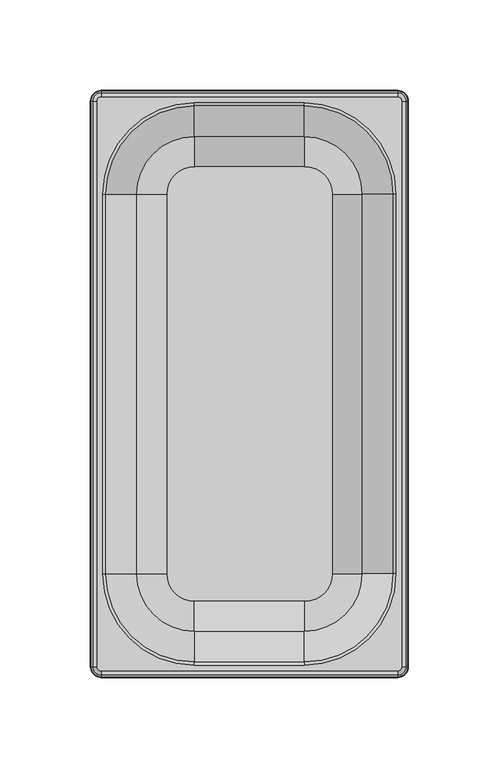
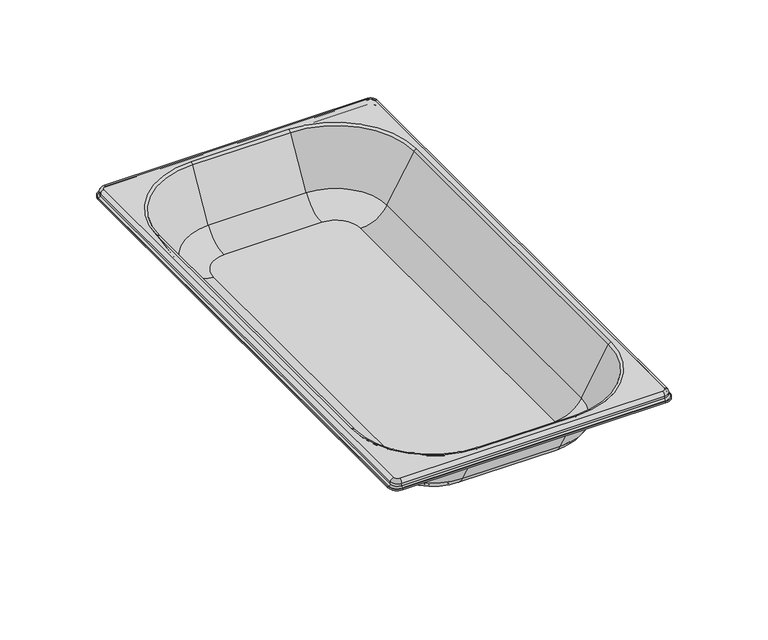
"""IFC4 building model written with IfcOpenShell, lengths in millimetres: proxy geometry."""

from ifc_helpers import new_model, si_unit, point, frame, origin, place, context, project, spatial, polyline, circle_curve, ellipse_curve, trimmed, source, transform, mapped, element, save
from ifc_brep_helpers import plane_surface, cylinder_surface, revolved_surface, advanced_brep


def generic_models_f1d3ed2c(model_context):
    return source(origin(), model_context, "Body", "AdvancedBrep", [
        advanced_brep(
        [(30.5, -136.8134665, -25.0), (30.5, -120.3589838, -34.5), (-30.5, -120.3589838, -34.5), (-30.5, -136.8134665, -25.0), (-30.5, 120.3589838, -34.5), (-30.5, 136.8134665, -25.0), (-62.3134665, 105.0, -25.0), (-45.8589838, 105.0, -34.5), (-62.3134665, -105.0, -25.0), (-45.8589838, -105.0, -34.5), (45.8589838, -105.0, -34.5), (45.8589838, 105.0, -34.5), (30.5, 120.3589838, -34.5), (30.5, 136.8134665, -25.0), (62.3134665, 105.0, -25.0), (62.3134665, -105.0, -25.0), (30.5, -153.8452995, 4.5), (79.3452995, -105.0, 4.5), (79.3452995, 105.0, 4.5), (30.5, 153.8452995, 4.5), (-30.5, 153.8452995, 4.5), (-79.3452995, 105.0, 4.5), (-79.3452995, -105.0, 4.5), (-30.5, -153.8452995, 4.5), (30.5, -155.5773503, 5.5), (-30.5, -155.5773503, 5.5), (81.0773503, -105.0, 5.5), (81.0773503, 105.0, 5.5), (30.5, 155.5773503, 5.5), (-30.5, 155.5773503, 5.5), (-81.0773503, 105.0, 5.5), (-81.0773503, -105.0, 5.5), (-81.0773503, -105.0, 4.5), (-80.2113249, -105.0, 4.0), (-30.5, -154.7113249, 4.0), (-30.5, -155.5773503, 4.5), (-81.0773503, 105.0, 4.5), (-80.2113249, 105.0, 4.0), (30.5, -154.7113249, 4.0), (30.5, -155.5773503, 4.5), (-30.5, 155.5773503, 4.5), (-30.5, 154.7113249, 4.0), (80.2113249, -105.0, 4.0), (81.0773503, -105.0, 4.5), (30.5, 155.5773503, 4.5), (30.5, 154.7113249, 4.0), (80.2113249, 105.0, 4.0), (81.0773503, 105.0, 4.5), (63.1794919, -105.0, -25.5), (63.1794919, 105.0, -25.5), (30.5, -137.6794919, -25.5), (-30.5, -137.6794919, -25.5), (-63.1794919, -105.0, -25.5), (-84.5, 156.5, 4.5), (-82.0, 159.0, 4.5), (82.0, 159.0, 4.5), (84.5, 156.5, 4.5), (84.5, -156.5, 4.5), (82.0, -159.0, 4.5), (-82.0, -159.0, 4.5), (-84.5, -156.5, 4.5), (-45.8589838, -105.0, -35.5), (-30.5, -120.3589838, -35.5), (-63.1794919, 105.0, -25.5), (-45.8589838, 105.0, -35.5), (30.5, -120.3589838, -35.5), (-30.5, 137.6794919, -25.5), (-30.5, 120.3589838, -35.5), (45.8589838, -105.0, -35.5), (30.5, 137.6794919, -25.5), (30.5, 120.3589838, -35.5), (45.8589838, 105.0, -35.5), (82.0, -160.0, 3.5), (85.5, -156.5, 3.5), (85.5, -156.5, 2.0), (82.0, -160.0, 2.0), (87.5, -156.5, 0.0), (82.0, -162.0, 0.0), (-82.0, -162.0, 0.0), (-82.0, -160.0, 2.0), (-87.5, -156.5, 0.0), (-85.5, -156.5, 2.0), (-85.5, -156.5, 3.5), (-82.0, -160.0, 3.5), (-85.5, 156.5, 3.5), (-85.5, 156.5, 2.0), (-82.0, 160.0, 3.5), (-82.0, 160.0, 2.0), (82.0, 160.0, 3.5), (82.0, 160.0, 2.0), (85.5, 156.5, 3.5), (85.5, 156.5, 2.0), (87.5, 156.5, 0.0), (82.0, 162.0, 0.0), (-82.0, 162.0, 0.0), (-87.5, 156.5, 0.0), (-88.0, 156.5, 0.0), (-82.0, 162.5, 0.0), (82.0, 162.5, 0.0), (88.0, 156.5, 0.0), (88.0, -156.5, 0.0), (82.0, -162.5, 0.0), (-82.0, -162.5, 0.0), (-88.0, -156.5, 0.0), (-82.0, 159.0, 5.5), (-82.0, 161.0, 3.5), (-86.5, 156.5, 3.5), (-84.5, 156.5, 5.5), (82.0, 159.0, 5.5), (82.0, 161.0, 3.5), (-86.5, -156.5, 3.5), (-84.5, -156.5, 5.5), (84.5, 156.5, 5.5), (86.5, 156.5, 3.5), (-82.0, -161.0, 3.5), (-82.0, -159.0, 5.5), (84.5, -156.5, 5.5), (86.5, -156.5, 3.5), (82.0, -161.0, 3.5), (82.0, -159.0, 5.5), (-82.0, -161.0, 2.0), (82.0, -161.0, 2.0), (-86.5, -156.5, 2.0), (-86.5, 156.5, 2.0), (-82.0, 161.0, 2.0), (-87.5, 156.5, 1.0), (-87.5, -156.5, 1.0), (-82.0, 162.0, 1.0), (-82.0, -162.0, 1.0), (82.0, 161.0, 2.0), (82.0, 162.0, 1.0), (82.0, -162.0, 1.0), (86.5, 156.5, 2.0), (87.5, 156.5, 1.0), (87.5, -156.5, 1.0), (86.5, -156.5, 2.0), (-82.0, 162.5, 1.0), (-88.0, 156.5, 1.0), (-88.0, -156.5, 1.0), (-82.0, -162.5, 1.0), (82.0, -162.5, 1.0), (88.0, -156.5, 1.0), (88.0, 156.5, 1.0), (82.0, 162.5, 1.0)],
        [
            (0, 1, circle_curve(frame((30.5, -120.3589838, -15.5), z_axis=(1.0, 0.0, 0.0), x_axis=(0.0, -0.4999999999999996, -0.8660254037844389)), 19.0)),
            (1, 2),
            (2, 3, circle_curve(frame((-30.5, -120.3589838, -15.5), z_axis=(-1.0, 0.0, 0.0), x_axis=(0.0, -0.4999999999999996, -0.8660254037844389)), 19.0)),
            (3, 0),
            (4, 5, circle_curve(frame((-30.5, 120.3589838, -15.5), z_axis=(1.0, 0.0, 0.0), x_axis=(0.0, 1.0, 0.0)), 19.0)),
            (5, 6, circle_curve(frame((-30.5, 105.0, -25.0), z_axis=(0.0, 0.0, 1.0), x_axis=(0.0, 1.0, 0.0)), 31.8134665)),
            (6, 7, circle_curve(frame((-45.8589838, 105.0, -15.5), z_axis=(0.0, -1.0, 0.0), x_axis=(-1.0, 0.0, 0.0)), 19.0)),
            (7, 4, circle_curve(frame((-30.5, 105.0, -34.5), z_axis=(0.0, 0.0, -1.0), x_axis=(0.0, 1.0, 0.0)), 15.3589838)),
            (6, 8),
            (8, 9, circle_curve(frame((-45.8589838, -105.0, -15.5), z_axis=(0.0, -1.0, 0.0), x_axis=(-0.5000000000000002, 0.0, -0.8660254037844386)), 19.0)),
            (9, 7),
            (8, 3, circle_curve(frame((-30.5, -105.0, -25.0), z_axis=(0.0, 0.0, 1.0), x_axis=(-1.0, 0.0, 0.0)), 31.8134665)),
            (2, 9, circle_curve(frame((-30.5, -105.0, -34.5), z_axis=(0.0, 0.0, -1.0), x_axis=(-1.0, 0.0, 0.0)), 15.3589838)),
            (1, 10, circle_curve(frame((30.5, -105.0, -34.5), z_axis=(0.0, 0.0, 1.0), x_axis=(0.0, -1.0, 0.0)), 15.3589838)),
            (10, 11),
            (11, 12, circle_curve(frame((30.5, 105.0, -34.5), z_axis=(0.0, 0.0, 1.0), x_axis=(1.0, 0.0, 0.0)), 15.3589838)),
            (12, 4),
            (12, 13, circle_curve(frame((30.5, 120.3589838, -15.5), z_axis=(1.0, 0.0, 0.0), x_axis=(0.0, 0.4999999999999996, -0.8660254037844389)), 19.0)),
            (13, 5),
            (11, 14, circle_curve(frame((45.8589838, 105.0, -15.5), z_axis=(0.0, -1.0, 0.0), x_axis=(1.0, 0.0, 0.0)), 19.0)),
            (14, 13, circle_curve(frame((30.5, 105.0, -25.0), z_axis=(0.0, 0.0, 1.0), x_axis=(1.0, 0.0, 0.0)), 31.8134665)),
            (10, 15, circle_curve(frame((45.8589838, -105.0, -15.5), z_axis=(0.0, -1.0, 0.0), x_axis=(0.5000000000000002, 0.0, -0.8660254037844386)), 19.0)),
            (15, 14),
            (0, 15, circle_curve(frame((30.5, -105.0, -25.0), z_axis=(0.0, 0.0, 1.0), x_axis=(0.0, -1.0, 0.0)), 31.8134665)),
            (16, 17, circle_curve(frame((30.5, -105.0, 4.5), z_axis=(0.0, 0.0, 1.0), x_axis=(1.0, 0.0, 0.0)), 48.8452995)),
            (17, 15),
            (0, 16),
            (17, 18),
            (18, 14),
            (18, 19, circle_curve(frame((30.5, 105.0, 4.5), z_axis=(0.0, 0.0, 1.0), x_axis=(0.0, 1.0, 0.0)), 48.8452995)),
            (19, 13),
            (19, 20),
            (20, 5),
            (20, 21, circle_curve(frame((-30.5, 105.0, 4.5), z_axis=(0.0, 0.0, 1.0), x_axis=(-1.0, 0.0, 0.0)), 48.8452995)),
            (21, 6),
            (21, 22),
            (22, 8),
            (22, 23, circle_curve(frame((-30.5, -105.0, 4.5), z_axis=(0.0, 0.0, 1.0), x_axis=(0.0, -1.0, 0.0)), 48.8452995)),
            (23, 3),
            (23, 16),
            (24, 16, circle_curve(frame((30.5, -155.5773503, 3.5), z_axis=(-1.0, 0.0, 0.0), x_axis=(0.0, 0.4999999999999851, 0.8660254037844473)), 2.0)),
            (23, 25, circle_curve(frame((-30.5, -155.5773503, 3.5), z_axis=(1.0, 0.0, 0.0), x_axis=(0.0, 0.4999999999999851, 0.8660254037844473)), 2.0)),
            (25, 24),
            (26, 17, circle_curve(frame((81.0773503, -105.0, 3.5), z_axis=(0.0, -1.0, 0.0), x_axis=(1.0, 0.0, 0.0)), 2.0)),
            (24, 26, circle_curve(frame((30.5, -105.0, 5.5), z_axis=(0.0, 0.0, 1.0), x_axis=(0.0, -1.0, 0.0)), 50.5773503)),
            (27, 18, circle_curve(frame((81.0773503, 105.0, 3.5), z_axis=(0.0, -1.0, 0.0), x_axis=(-0.49999999999999767, 0.0, 0.8660254037844399)), 2.0)),
            (26, 27),
            (28, 19, circle_curve(frame((30.5, 155.5773503, 3.5), z_axis=(1.0, 0.0, 0.0), x_axis=(0.0, 1.0, 0.0)), 2.0)),
            (27, 28, circle_curve(frame((30.5, 105.0, 5.5), z_axis=(0.0, 0.0, 1.0), x_axis=(1.0, 0.0, 0.0)), 50.5773503)),
            (28, 29),
            (29, 20, circle_curve(frame((-30.5, 155.5773503, 3.5), z_axis=(1.0, 0.0, 0.0), x_axis=(0.0, -0.5000000000000016, 0.8660254037844377)), 2.0)),
            (29, 30, circle_curve(frame((-30.5, 105.0, 5.5), z_axis=(0.0, 0.0, 1.0), x_axis=(0.0, 1.0, 0.0)), 50.5773503)),
            (30, 21, circle_curve(frame((-81.0773503, 105.0, 3.5), z_axis=(0.0, 1.0, 0.0), x_axis=(-1.0, 0.0, 0.0)), 2.0)),
            (30, 31),
            (31, 22, circle_curve(frame((-81.0773503, -105.0, 3.5), z_axis=(0.0, 1.0, 0.0), x_axis=(0.4999999999999979, 0.0, 0.8660254037844398)), 2.0)),
            (31, 25, circle_curve(frame((-30.5, -105.0, 5.5), z_axis=(0.0, 0.0, 1.0), x_axis=(-1.0, 0.0, 0.0)), 50.5773503)),
            (32, 33, circle_curve(frame((-81.0773503, -105.0, 3.5), z_axis=(0.0, 1.0, 0.0), x_axis=(-1.0, 0.0, 0.0)), 1.0)),
            (33, 34, circle_curve(frame((-30.5, -105.0, 4.0), z_axis=(0.0, 0.0, 1.0), x_axis=(-1.0, 0.0, 0.0)), 49.7113249)),
            (34, 35, circle_curve(frame((-30.5, -155.5773503, 3.5), z_axis=(1.0, 0.0, 0.0), x_axis=(0.0, -1.0, 0.0)), 1.0)),
            (35, 32, circle_curve(frame((-30.5, -105.0, 4.5), z_axis=(0.0, 0.0, -1.0), x_axis=(-1.0, 0.0, 0.0)), 50.5773503)),
            (36, 37, circle_curve(frame((-81.0773503, 105.0, 3.5), z_axis=(0.0, 1.0, 0.0), x_axis=(0.4999999999999979, 0.0, 0.8660254037844398)), 1.0)),
            (37, 33),
            (32, 36),
            (38, 39, circle_curve(frame((30.5, -155.5773503, 3.5), z_axis=(1.0, 0.0, 0.0), x_axis=(0.0, 0.49999999999998507, 0.8660254037844473)), 1.0)),
            (39, 35),
            (34, 38),
            (40, 41, circle_curve(frame((-30.5, 155.5773503, 3.5), z_axis=(1.0, 0.0, 0.0), x_axis=(0.0, 1.0, 0.0)), 1.0)),
            (41, 37, circle_curve(frame((-30.5, 105.0, 4.0), z_axis=(0.0, 0.0, 1.0), x_axis=(0.0, 1.0, 0.0)), 49.7113249)),
            (36, 40, circle_curve(frame((-30.5, 105.0, 4.5), z_axis=(0.0, 0.0, -1.0), x_axis=(0.0, 1.0, 0.0)), 50.5773503)),
            (42, 43, circle_curve(frame((81.0773503, -105.0, 3.5), z_axis=(0.0, 1.0, 0.0), x_axis=(1.0, 0.0, 0.0)), 1.0)),
            (43, 39, circle_curve(frame((30.5, -105.0, 4.5), z_axis=(0.0, 0.0, -1.0), x_axis=(0.0, -1.0, 0.0)), 50.5773503)),
            (38, 42, circle_curve(frame((30.5, -105.0, 4.0), z_axis=(0.0, 0.0, 1.0), x_axis=(0.0, -1.0, 0.0)), 49.7113249)),
            (44, 45, circle_curve(frame((30.5, 155.5773503, 3.5), z_axis=(1.0, 0.0, 0.0), x_axis=(0.0, -0.5000000000000016, 0.8660254037844377)), 1.0)),
            (45, 41),
            (40, 44),
            (46, 47, circle_curve(frame((81.0773503, 105.0, 3.5), z_axis=(0.0, 1.0, 0.0), x_axis=(-0.49999999999999767, 0.0, 0.8660254037844399)), 1.0)),
            (47, 43),
            (42, 46),
            (44, 47, circle_curve(frame((30.5, 105.0, 4.5), z_axis=(0.0, 0.0, -1.0), x_axis=(1.0, 0.0, 0.0)), 50.5773503)),
            (46, 45, circle_curve(frame((30.5, 105.0, 4.0), z_axis=(0.0, 0.0, 1.0), x_axis=(1.0, 0.0, 0.0)), 49.7113249)),
            (42, 48),
            (48, 49),
            (49, 46),
            (38, 50),
            (50, 48, circle_curve(frame((30.5, -105.0, -25.5), z_axis=(0.0, 0.0, 1.0), x_axis=(1.0, 0.0, 0.0)), 32.6794919)),
            (34, 51),
            (51, 50),
            (33, 52),
            (52, 51, circle_curve(frame((-30.5, -105.0, -25.5), z_axis=(0.0, 0.0, 1.0), x_axis=(0.0, -1.0, 0.0)), 32.6794919)),
            (53, 54, circle_curve(frame((-82.0, 156.5, 4.5), z_axis=(0.0, 0.0, -1.0), x_axis=(0.0, 1.0, 0.0)), 2.5)),
            (54, 55),
            (55, 56, circle_curve(frame((82.0, 156.5, 4.5), z_axis=(0.0, 0.0, -1.0), x_axis=(1.0, 0.0, 0.0)), 2.5)),
            (56, 57),
            (57, 58, circle_curve(frame((82.0, -156.5, 4.5), z_axis=(0.0, 0.0, -1.0), x_axis=(0.0, -1.0, 0.0)), 2.5)),
            (58, 59),
            (59, 60, circle_curve(frame((-82.0, -156.5, 4.5), z_axis=(0.0, 0.0, -1.0), x_axis=(-1.0, 0.0, 0.0)), 2.5)),
            (60, 53),
            (52, 61, circle_curve(frame((-45.8589838, -105.0, -15.5), z_axis=(0.0, -1.0, 0.0), x_axis=(-1.0, 0.0, 0.0)), 20.0)),
            (61, 62, circle_curve(frame((-30.5, -105.0, -35.5), z_axis=(0.0, 0.0, 1.0), x_axis=(-1.0, 0.0, 0.0)), 15.3589838)),
            (62, 51, circle_curve(frame((-30.5, -120.3589838, -15.5), z_axis=(-1.0, 0.0, 0.0), x_axis=(0.0, -1.0, 0.0)), 20.0)),
            (63, 64, circle_curve(frame((-45.8589838, 105.0, -15.5), z_axis=(0.0, -1.0, 0.0), x_axis=(-0.5000000000000002, 0.0, -0.8660254037844385)), 20.0)),
            (64, 61),
            (52, 63),
            (65, 50, circle_curve(frame((30.5, -120.3589838, -15.5), z_axis=(-1.0, 0.0, 0.0), x_axis=(0.0, -0.49999999999999956, -0.8660254037844389)), 20.0)),
            (62, 65),
            (66, 67, circle_curve(frame((-30.5, 120.3589838, -15.5), z_axis=(-1.0, 0.0, 0.0), x_axis=(0.0, 1.0, 0.0)), 20.0)),
            (67, 64, circle_curve(frame((-30.5, 105.0, -35.5), z_axis=(0.0, 0.0, 1.0), x_axis=(0.0, 1.0, 0.0)), 15.3589838)),
            (63, 66, circle_curve(frame((-30.5, 105.0, -25.5), z_axis=(0.0, 0.0, -1.0), x_axis=(0.0, 1.0, 0.0)), 32.6794919)),
            (68, 48, circle_curve(frame((45.8589838, -105.0, -15.5), z_axis=(0.0, -1.0, 0.0), x_axis=(1.0, 0.0, 0.0)), 20.0)),
            (65, 68, circle_curve(frame((30.5, -105.0, -35.5), z_axis=(0.0, 0.0, 1.0), x_axis=(0.0, -1.0, 0.0)), 15.3589838)),
            (69, 70, circle_curve(frame((30.5, 120.3589838, -15.5), z_axis=(-1.0, 0.0, 0.0), x_axis=(0.0, 0.49999999999999956, -0.8660254037844389)), 20.0)),
            (70, 67),
            (66, 69),
            (71, 49, circle_curve(frame((45.8589838, 105.0, -15.5), z_axis=(0.0, -1.0, 0.0), x_axis=(0.5000000000000002, 0.0, -0.8660254037844385)), 20.0)),
            (68, 71),
            (69, 49, circle_curve(frame((30.5, 105.0, -25.5), z_axis=(0.0, 0.0, -1.0), x_axis=(1.0, 0.0, 0.0)), 32.6794919)),
            (71, 70, circle_curve(frame((30.5, 105.0, -35.5), z_axis=(0.0, 0.0, 1.0), x_axis=(1.0, 0.0, 0.0)), 15.3589838)),
            (45, 69),
            (66, 41),
            (63, 37),
            (72, 73, circle_curve(frame((82.0, -156.5, 3.5), z_axis=(0.0, 0.0, 1.0), x_axis=(0.0, -1.0, 0.0)), 3.5)),
            (73, 74),
            (74, 75, circle_curve(frame((82.0, -156.5, 2.0), z_axis=(0.0, 0.0, -1.0), x_axis=(0.0, -1.0, 0.0)), 3.5)),
            (75, 72),
            (74, 76, circle_curve(frame((87.5, -156.5, 2.0), z_axis=(0.0, -1.0, 0.0), x_axis=(1.0, 0.0, 0.0)), 2.0)),
            (76, 77, circle_curve(frame((82.0, -156.5, 0.0), z_axis=(0.0, 0.0, -1.0), x_axis=(0.0, -1.0, 0.0)), 5.5)),
            (77, 75, circle_curve(frame((82.0, -162.0, 2.0), z_axis=(1.0, 0.0, 0.0), x_axis=(0.0, -1.0, 0.0)), 2.0)),
            (77, 78),
            (78, 79, circle_curve(frame((-82.0, -162.0, 2.0), z_axis=(1.0, 0.0, 0.0), x_axis=(0.0, 0.7071067811865525, -0.7071067811865426)), 2.0)),
            (79, 75),
            (78, 80, circle_curve(frame((-82.0, -156.5, 0.0), z_axis=(0.0, 0.0, -1.0), x_axis=(-1.0, 0.0, 0.0)), 5.5)),
            (80, 81, circle_curve(frame((-87.5, -156.5, 2.0), z_axis=(0.0, -1.0, 0.0), x_axis=(-1.0, 0.0, 0.0)), 2.0)),
            (81, 79, circle_curve(frame((-82.0, -156.5, 2.0), z_axis=(0.0, 0.0, 1.0), x_axis=(-1.0, 0.0, 0.0)), 3.5)),
            (82, 83, circle_curve(frame((-82.0, -156.5, 3.5), z_axis=(0.0, 0.0, 1.0), x_axis=(-1.0, 0.0, 0.0)), 3.5)),
            (83, 79),
            (81, 82),
            (83, 72),
            (58, 72, circle_curve(frame((82.0, -159.0, 3.5), z_axis=(1.0, 0.0, 0.0), x_axis=(0.0, -0.70710678118654, 0.707106781186555)), 1.0)),
            (83, 59, circle_curve(frame((-82.0, -159.0, 3.5), z_axis=(-1.0, 0.0, 0.0), x_axis=(0.0, -0.70710678118654, 0.707106781186555)), 1.0)),
            (82, 60, circle_curve(frame((-84.5, -156.5, 3.5), z_axis=(0.0, 1.0, 0.0), x_axis=(-1.0, 0.0, 0.0)), 1.0)),
            (82, 84),
            (84, 53, circle_curve(frame((-84.5, 156.5, 3.5), z_axis=(0.0, 1.0, 0.0), x_axis=(-0.7071067811865465, 0.0, 0.7071067811865486)), 1.0)),
            (81, 85),
            (85, 84),
            (86, 84, circle_curve(frame((-82.0, 156.5, 3.5), z_axis=(0.0, 0.0, 1.0), x_axis=(0.0, 1.0, 0.0)), 3.5)),
            (85, 87, circle_curve(frame((-82.0, 156.5, 2.0), z_axis=(0.0, 0.0, -1.0), x_axis=(0.0, 1.0, 0.0)), 3.5)),
            (87, 86),
            (88, 86),
            (87, 89),
            (89, 88),
            (90, 88, circle_curve(frame((82.0, 156.5, 3.5), z_axis=(0.0, 0.0, 1.0), x_axis=(1.0, 0.0, 0.0)), 3.5)),
            (89, 91, circle_curve(frame((82.0, 156.5, 2.0), z_axis=(0.0, 0.0, -1.0), x_axis=(1.0, 0.0, 0.0)), 3.5)),
            (91, 90),
            (90, 56, circle_curve(frame((84.5, 156.5, 3.5), z_axis=(0.0, -1.0, 0.0), x_axis=(1.0, 0.0, 0.0)), 1.0)),
            (55, 88, circle_curve(frame((82.0, 159.0, 3.5), z_axis=(-1.0, 0.0, 0.0), x_axis=(0.0, 1.0, 0.0)), 1.0)),
            (54, 86, circle_curve(frame((-82.0, 159.0, 3.5), z_axis=(-1.0, 0.0, 0.0), x_axis=(0.0, 0.7071067811865527, 0.7071067811865424)), 1.0)),
            (57, 73, circle_curve(frame((84.5, -156.5, 3.5), z_axis=(0.0, 1.0, 0.0), x_axis=(1.0, 0.0, 0.0)), 1.0)),
            (90, 73),
            (91, 74),
            (91, 92, circle_curve(frame((87.5, 156.5, 2.0), z_axis=(0.0, -1.0, 0.0), x_axis=(-0.7071067811865398, 0.0, -0.7071067811865551)), 2.0)),
            (92, 76),
            (89, 93, circle_curve(frame((82.0, 162.0, 2.0), z_axis=(1.0, 0.0, 0.0), x_axis=(0.0, 1.0, 0.0)), 2.0)),
            (93, 92, circle_curve(frame((82.0, 156.5, 0.0), z_axis=(0.0, 0.0, -1.0), x_axis=(1.0, 0.0, 0.0)), 5.5)),
            (87, 94, circle_curve(frame((-82.0, 162.0, 2.0), z_axis=(1.0, 0.0, 0.0), x_axis=(0.0, -0.7071067811865274, -0.7071067811865677)), 2.0)),
            (94, 93),
            (85, 95, circle_curve(frame((-87.5, 156.5, 2.0), z_axis=(0.0, 1.0, 0.0), x_axis=(-1.0, 0.0, 0.0)), 2.0)),
            (95, 94, circle_curve(frame((-82.0, 156.5, 0.0), z_axis=(0.0, 0.0, -1.0), x_axis=(0.0, 1.0, 0.0)), 5.5)),
            (80, 95),
            (96, 97, circle_curve(frame((-82.0, 156.5, 0.0), z_axis=(0.0, 0.0, -1.0), x_axis=(0.0, -1.0, 0.0)), 6.0)),
            (97, 98),
            (98, 99, circle_curve(frame((82.0, 156.5, 0.0), z_axis=(0.0, 0.0, -1.0), x_axis=(-1.0, 0.0, 0.0)), 6.0)),
            (99, 100),
            (100, 101, circle_curve(frame((82.0, -156.5, 0.0), z_axis=(0.0, 0.0, -1.0), x_axis=(0.0, 1.0, 0.0)), 6.0)),
            (101, 102),
            (102, 103, circle_curve(frame((-82.0, -156.5, 0.0), z_axis=(0.0, 0.0, -1.0), x_axis=(1.0, 0.0, 0.0)), 6.0)),
            (103, 96),
            (104, 105, circle_curve(frame((-82.0, 159.0, 3.5), z_axis=(-1.0, 0.0, 0.0), x_axis=(0.0, 1.0, 0.0)), 2.0)),
            (105, 106, circle_curve(frame((-82.0, 156.5, 3.5), z_axis=(0.0, 0.0, 1.0), x_axis=(0.0, 1.0, 0.0)), 4.5)),
            (106, 107, circle_curve(frame((-84.5, 156.5, 3.5), z_axis=(0.0, 1.0, 0.0), x_axis=(-1.0, 0.0, 0.0)), 2.0)),
            (107, 104, circle_curve(frame((-82.0, 156.5, 5.5), z_axis=(0.0, 0.0, -1.0), x_axis=(0.0, 1.0, 0.0)), 2.5)),
            (108, 109, circle_curve(frame((82.0, 159.0, 3.5), z_axis=(-1.0, 0.0, 0.0), x_axis=(0.0, 0.7071067811865527, 0.7071067811865424)), 2.0)),
            (109, 105),
            (104, 108),
            (110, 111, circle_curve(frame((-84.5, -156.5, 3.5), z_axis=(0.0, 1.0, 0.0), x_axis=(-0.7071067811865465, 0.0, 0.7071067811865486)), 2.0)),
            (111, 107),
            (106, 110),
            (112, 113, circle_curve(frame((84.5, 156.5, 3.5), z_axis=(0.0, 1.0, 0.0), x_axis=(1.0, 0.0, 0.0)), 2.0)),
            (113, 109, circle_curve(frame((82.0, 156.5, 3.5), z_axis=(0.0, 0.0, 1.0), x_axis=(1.0, 0.0, 0.0)), 4.5)),
            (108, 112, circle_curve(frame((82.0, 156.5, 5.5), z_axis=(0.0, 0.0, -1.0), x_axis=(1.0, 0.0, 0.0)), 2.5)),
            (114, 115, circle_curve(frame((-82.0, -159.0, 3.5), z_axis=(-1.0, 0.0, 0.0), x_axis=(0.0, -1.0, 0.0)), 2.0)),
            (115, 111, circle_curve(frame((-82.0, -156.5, 5.5), z_axis=(0.0, 0.0, -1.0), x_axis=(-1.0, 0.0, 0.0)), 2.5)),
            (110, 114, circle_curve(frame((-82.0, -156.5, 3.5), z_axis=(0.0, 0.0, 1.0), x_axis=(-1.0, 0.0, 0.0)), 4.5)),
            (116, 117, circle_curve(frame((84.5, -156.5, 3.5), z_axis=(0.0, 1.0, 0.0), x_axis=(0.7071067811865465, 0.0, 0.7071067811865486)), 2.0)),
            (117, 113),
            (112, 116),
            (118, 119, circle_curve(frame((82.0, -159.0, 3.5), z_axis=(-1.0, 0.0, 0.0), x_axis=(0.0, -0.70710678118654, 0.707106781186555)), 2.0)),
            (119, 115),
            (114, 118),
            (116, 119, circle_curve(frame((82.0, -156.5, 5.5), z_axis=(0.0, 0.0, -1.0), x_axis=(0.0, -1.0, 0.0)), 2.5)),
            (118, 117, circle_curve(frame((82.0, -156.5, 3.5), z_axis=(0.0, 0.0, 1.0), x_axis=(0.0, -1.0, 0.0)), 4.5)),
            (114, 120),
            (120, 121),
            (121, 118),
            (110, 122),
            (122, 120, circle_curve(frame((-82.0, -156.5, 2.0), z_axis=(0.0, 0.0, 1.0), x_axis=(-1.0, 0.0, 0.0)), 4.5)),
            (106, 123),
            (123, 122),
            (105, 124),
            (124, 123, circle_curve(frame((-82.0, 156.5, 2.0), z_axis=(0.0, 0.0, 1.0), x_axis=(0.0, 1.0, 0.0)), 4.5)),
            (123, 125, circle_curve(frame((-87.5, 156.5, 2.0), z_axis=(0.0, 1.0, 0.0), x_axis=(0.7071067811865525, 0.0, -0.7071067811865426)), 1.0)),
            (125, 126),
            (126, 122, circle_curve(frame((-87.5, -156.5, 2.0), z_axis=(0.0, -1.0, 0.0), x_axis=(0.7071067811865525, 0.0, -0.7071067811865426)), 1.0)),
            (124, 127, circle_curve(frame((-82.0, 162.0, 2.0), z_axis=(1.0, 0.0, 0.0), x_axis=(0.0, 1.0, 0.0)), 1.0)),
            (127, 125, circle_curve(frame((-82.0, 156.5, 1.0), z_axis=(0.0, 0.0, 1.0), x_axis=(0.0, 1.0, 0.0)), 5.5)),
            (128, 120, circle_curve(frame((-82.0, -162.0, 2.0), z_axis=(1.0, 0.0, 0.0), x_axis=(0.0, -1.0, 0.0)), 1.0)),
            (126, 128, circle_curve(frame((-82.0, -156.5, 1.0), z_axis=(0.0, 0.0, 1.0), x_axis=(-1.0, 0.0, 0.0)), 5.5)),
            (129, 130, circle_curve(frame((82.0, 162.0, 2.0), z_axis=(1.0, 0.0, 0.0), x_axis=(0.0, -0.7071067811865274, -0.7071067811865677)), 1.0)),
            (130, 127),
            (124, 129),
            (131, 121, circle_curve(frame((82.0, -162.0, 2.0), z_axis=(1.0, 0.0, 0.0), x_axis=(0.0, 0.7071067811865525, -0.7071067811865426)), 1.0)),
            (128, 131),
            (132, 133, circle_curve(frame((87.5, 156.5, 2.0), z_axis=(0.0, -1.0, 0.0), x_axis=(1.0, 0.0, 0.0)), 1.0)),
            (133, 130, circle_curve(frame((82.0, 156.5, 1.0), z_axis=(0.0, 0.0, 1.0), x_axis=(1.0, 0.0, 0.0)), 5.5)),
            (129, 132, circle_curve(frame((82.0, 156.5, 2.0), z_axis=(0.0, 0.0, -1.0), x_axis=(1.0, 0.0, 0.0)), 4.5)),
            (134, 135, circle_curve(frame((87.5, -156.5, 2.0), z_axis=(0.0, 1.0, 0.0), x_axis=(1.0, 0.0, 0.0)), 1.0)),
            (135, 121, circle_curve(frame((82.0, -156.5, 2.0), z_axis=(0.0, 0.0, -1.0), x_axis=(0.0, -1.0, 0.0)), 4.5)),
            (131, 134, circle_curve(frame((82.0, -156.5, 1.0), z_axis=(0.0, 0.0, 1.0), x_axis=(0.0, -1.0, 0.0)), 5.5)),
            (132, 135),
            (134, 133),
            (113, 132),
            (129, 109),
            (136, 137, circle_curve(frame((-82.0, 156.5, 1.0), z_axis=(0.0, 0.0, 1.0), x_axis=(0.0, -1.0, 0.0)), 6.0)),
            (137, 138),
            (138, 139, circle_curve(frame((-82.0, -156.5, 1.0), z_axis=(0.0, 0.0, 1.0), x_axis=(1.0, 0.0, 0.0)), 6.0)),
            (139, 140),
            (140, 141, circle_curve(frame((82.0, -156.5, 1.0), z_axis=(0.0, 0.0, 1.0), x_axis=(0.0, 1.0, 0.0)), 6.0)),
            (141, 142),
            (142, 143, circle_curve(frame((82.0, 156.5, 1.0), z_axis=(0.0, 0.0, 1.0), x_axis=(-1.0, 0.0, 0.0)), 6.0)),
            (143, 136),
            (135, 117),
            (138, 103),
            (102, 139),
            (137, 96),
            (136, 97),
            (143, 98),
            (142, 99),
            (141, 100),
            (140, 101),
        ],
        [
            revolved_surface(polyline([(30.5, -129.8589838, -31.95448267190434), (-30.5, -129.8589838, -31.95448267190434)]), (-15.25, -120.3589838, -15.5), (1.0, 0.0, 0.0)),
            revolved_surface(trimmed(ellipse_curve(frame((-30.5, 120.3589838, -15.5), z_axis=(-1.0, 0.0, 0.0), x_axis=(0.0, 1.0, 0.0)), 19.0, 19.0), [point((-30.5, 136.8134665, -25.0))], [point((-30.5, 120.3589838, -34.5))], True, "CARTESIAN"), (-30.5, 105.0, -15.5), (0.0, 0.0, 1.0)),
            revolved_surface(polyline([(-55.358983800000004, -105.0, -31.954482671904334), (-55.358983800000004, 105.0, -31.954482671904334)]), (-45.8589838, 52.5, -15.5), (0.0, -1.0, 0.0)),
            revolved_surface(trimmed(ellipse_curve(frame((-45.8589838, -105.0, -15.5), z_axis=(0.0, -1.0, 0.0), x_axis=(-1.0, 0.0, 0.0)), 19.0, 19.0), [point((-62.3134665, -105.0, -25.0))], [point((-45.8589838, -105.0, -34.5))], True, "CARTESIAN"), (-30.5, -105.0, -15.5), (0.0, 0.0, 1.0)),
            plane_surface(frame((0.0, 0.0, -34.5), z_axis=(0.0, 0.0, 1.0), x_axis=(1.0, 0.0, 0.0))),
            revolved_surface(polyline([(-30.5, 129.8589838, -31.95448267190434), (30.5, 129.8589838, -31.95448267190434)]), (15.25, 120.3589838, -15.5), (-1.0, 0.0, 0.0)),
            revolved_surface(trimmed(ellipse_curve(frame((45.8589838, 105.0, -15.5), z_axis=(0.0, 1.0, 0.0), x_axis=(1.0, 0.0, 0.0)), 19.0, 19.0), [point((62.3134665, 105.0, -25.0))], [point((45.8589838, 105.0, -34.5))], True, "CARTESIAN"), (30.5, 105.0, -15.5), (0.0, 0.0, 1.0)),
            revolved_surface(polyline([(55.358983800000004, 105.0, -31.954482671904334), (55.358983800000004, -105.0, -31.954482671904334)]), (45.8589838, -52.5, -15.5), (0.0, 1.0, 0.0)),
            revolved_surface(trimmed(ellipse_curve(frame((30.5, -120.3589838, -15.5), z_axis=(1.0, 0.0, 0.0), x_axis=(0.0, -1.0, 0.0)), 19.0, 19.0), [point((30.5, -136.8134665, -25.0))], [point((30.5, -120.3589838, -34.5))], True, "CARTESIAN"), (30.5, -105.0, -15.5), (0.0, 0.0, 1.0)),
            revolved_surface(polyline([(30.5, -153.8452995, 4.5), (30.5, -136.8134665498632, -25.0)]), (30.5, -105.0, -80.1025404), (0.0, 0.0, 1.0)),
            plane_surface(frame((79.6339746, -105.0, 5.0), z_axis=(-0.8660254037844387, 0.0, 0.5), x_axis=(0.0, -1.0, 0.0))),
            revolved_surface(polyline([(79.3452995, 105.0, 4.5), (62.31346654986319, 105.0, -25.0)]), (30.5, 105.0, -80.1025404), (0.0, 0.0, 1.0)),
            plane_surface(frame((30.5, 154.1339746, 5.0), z_axis=(0.0, -0.8660254037844387, 0.5), x_axis=(1.0, 0.0, 0.0))),
            revolved_surface(polyline([(-30.5, 153.8452995, 4.5), (-30.5, 136.8134665498632, -25.0)]), (-30.5, 105.0, -80.1025404), (0.0, 0.0, 1.0)),
            plane_surface(frame((-79.6339746, 105.0, 5.0), z_axis=(0.8660254037844387, 0.0, 0.5), x_axis=(0.0, 1.0, 0.0))),
            revolved_surface(polyline([(-79.3452995, -105.0, 4.5), (-62.31346654986319, -105.0, -25.0)]), (-30.5, -105.0, -80.1025404), (0.0, 0.0, 1.0)),
            plane_surface(frame((-30.5, -154.1339746, 5.0), z_axis=(0.0, 0.8660254037844387, 0.5), x_axis=(-1.0, 0.0, 0.0))),
            cylinder_surface(frame((-15.25, -155.5773503, 3.5), z_axis=(1.0, 0.0, 0.0), x_axis=(0.0, 0.4999999999999851, 0.8660254037844473)), 2.0),
            revolved_surface(trimmed(ellipse_curve(frame((30.5, -155.5773503, 3.5), z_axis=(-1.0, 0.0, 0.0), x_axis=(0.0, -1.0, 0.0)), 2.0, 2.0), [point((30.5, -155.5773503, 5.5))], [point((30.5, -153.8452995, 4.5))], True, "CARTESIAN"), (30.5, -105.0, 3.5), (0.0, 0.0, 1.0)),
            cylinder_surface(frame((81.0773503, -52.5, 3.5), z_axis=(0.0, 0.9999999999999999, 0.0), x_axis=(-0.49999999999999767, 0.0, 0.8660254037844399)), 2.0),
            revolved_surface(trimmed(ellipse_curve(frame((81.0773503, 105.0, 3.5), z_axis=(0.0, -1.0, 0.0), x_axis=(1.0, 0.0, 0.0)), 2.0, 2.0), [point((81.0773503, 105.0, 5.5))], [point((79.3452995, 105.0, 4.5))], True, "CARTESIAN"), (30.5, 105.0, 3.5), (0.0, 0.0, 1.0)),
            cylinder_surface(frame((15.25, 155.5773503, 3.5), z_axis=(-0.9999999999999999, 0.0, 0.0), x_axis=(0.0, -0.5000000000000016, 0.8660254037844377)), 2.0),
            revolved_surface(trimmed(ellipse_curve(frame((-30.5, 155.5773503, 3.5), z_axis=(1.0, 0.0, 0.0), x_axis=(0.0, 1.0, 0.0)), 2.0, 2.0), [point((-30.5, 155.5773503, 5.5))], [point((-30.5, 153.8452995, 4.5))], True, "CARTESIAN"), (-30.5, 105.0, 3.5), (0.0, 0.0, 1.0)),
            cylinder_surface(frame((-81.0773503, 52.5, 3.5), z_axis=(0.0, -0.9999999999999999, 0.0), x_axis=(0.4999999999999979, 0.0, 0.8660254037844398)), 2.0),
            revolved_surface(trimmed(ellipse_curve(frame((-81.0773503, -105.0, 3.5), z_axis=(0.0, 1.0, 0.0), x_axis=(-1.0, 0.0, 0.0)), 2.0, 2.0), [point((-81.0773503, -105.0, 5.5))], [point((-79.3452995, -105.0, 4.5))], True, "CARTESIAN"), (-30.5, -105.0, 3.5), (0.0, 0.0, 1.0)),
            revolved_surface(trimmed(ellipse_curve(frame((-81.0773503, -105.0, 3.5), z_axis=(0.0, -1.0, 0.0), x_axis=(-1.0, 0.0, 0.0)), 1.0, 1.0), [point((-80.2113249, -105.0, 4.0))], [point((-81.0773503, -105.0, 4.5))], True, "CARTESIAN"), (-30.5, -105.0, 3.5), (0.0, 0.0, 1.0)),
            revolved_surface(polyline([(-80.5773503, -104.99999999999994, 4.36602540378444), (-80.5773503, 104.99999999999999, 4.36602540378444)]), (-81.0773503, 52.5, 3.5), (0.0, -0.9999999999999999, 0.0)),
            revolved_surface(polyline([(30.5, -155.07735030000003, 4.366025403784447), (-30.5, -155.07735030000003, 4.366025403784447)]), (-15.25, -155.5773503, 3.5), (1.0, 0.0, 0.0)),
            revolved_surface(trimmed(ellipse_curve(frame((-30.5, 155.5773503, 3.5), z_axis=(-1.0, 0.0, 0.0), x_axis=(0.0, 1.0, 0.0)), 1.0, 1.0), [point((-30.5, 154.7113249, 4.0))], [point((-30.5, 155.5773503, 4.5))], True, "CARTESIAN"), (-30.5, 105.0, 3.5), (0.0, 0.0, 1.0)),
            revolved_surface(trimmed(ellipse_curve(frame((30.5, -155.5773503, 3.5), z_axis=(1.0, 0.0, 0.0), x_axis=(0.0, -1.0, 0.0)), 1.0, 1.0), [point((30.5, -154.7113249, 4.0))], [point((30.5, -155.5773503, 4.5))], True, "CARTESIAN"), (30.5, -105.0, 3.5), (0.0, 0.0, 1.0)),
            revolved_surface(polyline([(-30.499999999999986, 155.0773503, 4.3660254037844375), (30.499999999999996, 155.0773503, 4.3660254037844375)]), (15.25, 155.5773503, 3.5), (-0.9999999999999999, 0.0, 0.0)),
            revolved_surface(polyline([(80.5773503, 104.99999999999994, 4.36602540378444), (80.5773503, -104.99999999999999, 4.36602540378444)]), (81.0773503, -52.5, 3.5), (0.0, 0.9999999999999999, 0.0)),
            revolved_surface(trimmed(ellipse_curve(frame((81.0773503, 105.0, 3.5), z_axis=(0.0, 1.0, 0.0), x_axis=(1.0, 0.0, 0.0)), 1.0, 1.0), [point((80.2113249, 105.0, 4.0))], [point((81.0773503, 105.0, 4.5))], True, "CARTESIAN"), (30.5, 105.0, 3.5), (0.0, 0.0, 1.0)),
            plane_surface(frame((80.5, -105.0, 4.5), z_axis=(0.8660254037844387, 0.0, -0.5), x_axis=(0.0, -1.0, 0.0))),
            revolved_surface(polyline([(63.17949195131733, -105.0, -25.5), (80.2113249, -105.0, 4.0)]), (30.5, -105.0, -82.1025404), (0.0, 0.0, 1.0)),
            plane_surface(frame((-30.5, -155.0, 4.5), z_axis=(0.0, -0.8660254037844387, -0.5), x_axis=(-1.0, 0.0, 0.0))),
            revolved_surface(polyline([(-30.5, -137.67949195131735, -25.5), (-30.5, -154.7113249, 4.0)]), (-30.5, -105.0, -82.1025404), (0.0, 0.0, 1.0)),
            plane_surface(frame((0.0, 0.0, 4.5), z_axis=(0.0, 0.0, -1.0), x_axis=(1.0, 0.0, 0.0))),
            revolved_surface(trimmed(ellipse_curve(frame((-45.8589838, -105.0, -15.5), z_axis=(0.0, 1.0, 0.0), x_axis=(-1.0, 0.0, 0.0)), 20.0, 20.0), [point((-45.8589838, -105.0, -35.5))], [point((-63.1794919, -105.0, -25.5))], True, "CARTESIAN"), (-30.5, -105.0, -15.5), (0.0, 0.0, 1.0)),
            cylinder_surface(frame((-45.8589838, 52.5, -15.5), z_axis=(0.0, -0.9999999999999999, 0.0), x_axis=(-0.5000000000000002, 0.0, -0.8660254037844385)), 20.0),
            cylinder_surface(frame((-15.25, -120.3589838, -15.5), z_axis=(1.0, 0.0, 0.0), x_axis=(0.0, -0.49999999999999956, -0.8660254037844389)), 20.0),
            revolved_surface(trimmed(ellipse_curve(frame((-30.5, 120.3589838, -15.5), z_axis=(1.0, 0.0, 0.0), x_axis=(0.0, 1.0, 0.0)), 20.0, 20.0), [point((-30.5, 120.3589838, -35.5))], [point((-30.5, 137.6794919, -25.5))], True, "CARTESIAN"), (-30.5, 105.0, -15.5), (0.0, 0.0, 1.0)),
            revolved_surface(trimmed(ellipse_curve(frame((30.5, -120.3589838, -15.5), z_axis=(-1.0, 0.0, 0.0), x_axis=(0.0, -1.0, 0.0)), 20.0, 20.0), [point((30.5, -120.3589838, -35.5))], [point((30.5, -137.6794919, -25.5))], True, "CARTESIAN"), (30.5, -105.0, -15.5), (0.0, 0.0, 1.0)),
            cylinder_surface(frame((15.25, 120.3589838, -15.5), z_axis=(-1.0, 0.0, 0.0), x_axis=(0.0, 0.49999999999999956, -0.8660254037844389)), 20.0),
            cylinder_surface(frame((45.8589838, -52.5, -15.5), z_axis=(0.0, 0.9999999999999999, 0.0), x_axis=(0.5000000000000002, 0.0, -0.8660254037844385)), 20.0),
            revolved_surface(trimmed(ellipse_curve(frame((45.8589838, 105.0, -15.5), z_axis=(0.0, -1.0, 0.0), x_axis=(1.0, 0.0, 0.0)), 20.0, 20.0), [point((45.8589838, 105.0, -35.5))], [point((63.1794919, 105.0, -25.5))], True, "CARTESIAN"), (30.5, 105.0, -15.5), (0.0, 0.0, 1.0)),
            plane_surface(frame((30.5, 155.0, 4.5), z_axis=(0.0, 0.8660254037844387, -0.5), x_axis=(1.0, 0.0, 0.0))),
            revolved_surface(polyline([(-63.17949195131733, 105.0, -25.5), (-80.2113249, 105.0, 4.0)]), (-30.5, 105.0, -82.1025404), (0.0, 0.0, 1.0)),
            plane_surface(frame((-80.5, 105.0, 4.5), z_axis=(-0.8660254037844387, 0.0, -0.5), x_axis=(0.0, 1.0, 0.0))),
            plane_surface(frame((0.0, 0.0, -35.5), z_axis=(0.0, 0.0, -1.0), x_axis=(1.0, 0.0, 0.0))),
            revolved_surface(polyline([(30.5, 137.67949195131735, -25.5), (30.5, 154.7113249, 4.0)]), (30.5, 105.0, -82.1025404), (0.0, 0.0, 1.0)),
            revolved_surface(polyline([(82.0, -160.0, 2.0), (82.0, -160.0, 3.5)]), (82.0, -156.5, 5.5), (0.0, 0.0, -1.0)),
            revolved_surface(trimmed(ellipse_curve(frame((82.0, -162.0, 2.0), z_axis=(-1.0, 0.0, 0.0), x_axis=(0.0, -1.0, 0.0)), 2.0, 2.0), [point((82.0, -160.0, 2.0))], [point((82.0, -162.0, 0.0))], True, "CARTESIAN"), (82.0, -156.5, 2.0), (0.0, 0.0, 1.0)),
            cylinder_surface(frame((-41.0, -162.0, 2.0), z_axis=(1.0, 0.0, 0.0), x_axis=(0.0, 0.7071067811865525, -0.7071067811865426)), 2.0),
            revolved_surface(trimmed(ellipse_curve(frame((-87.5, -156.5, 2.0), z_axis=(0.0, 1.0, 0.0), x_axis=(-1.0, 0.0, 0.0)), 2.0, 2.0), [point((-85.5, -156.5, 2.0))], [point((-87.5, -156.5, 0.0))], True, "CARTESIAN"), (-82.0, -156.5, 2.0), (0.0, 0.0, 1.0)),
            revolved_surface(polyline([(-85.5, -156.5, 2.0), (-85.5, -156.5, 3.5)]), (-82.0, -156.5, 5.5), (0.0, 0.0, -1.0)),
            plane_surface(frame((-82.0, -160.0, 5.5), z_axis=(0.0, 1.0, 0.0), x_axis=(0.0, 0.0, -1.0))),
            revolved_surface(polyline([(82.0, -159.70710678118655, 4.207106781186555), (-82.0, -159.70710678118655, 4.207106781186555)]), (-41.0, -159.0, 3.5), (1.0, 0.0, 0.0)),
            revolved_surface(trimmed(ellipse_curve(frame((-84.5, -156.5, 3.5), z_axis=(0.0, -1.0, 0.0), x_axis=(-1.0, 0.0, 0.0)), 1.0, 1.0), [point((-84.5, -156.5, 4.5))], [point((-85.5, -156.5, 3.5))], True, "CARTESIAN"), (-82.0, -156.5, 3.5), (0.0, 0.0, 1.0)),
            revolved_surface(polyline([(-85.20710678118655, -156.5, 4.207106781186549), (-85.20710678118655, 156.5, 4.207106781186549)]), (-84.5, 78.25, 3.5), (0.0, -1.0, 0.0)),
            plane_surface(frame((-85.5, 156.5, 5.5), z_axis=(1.0, 0.0, 0.0), x_axis=(0.0, 0.0, 1.0))),
            revolved_surface(polyline([(-82.0, 160.0, 2.0), (-82.0, 160.0, 3.5)]), (-82.0, 156.5, 5.5), (0.0, 0.0, -1.0)),
            plane_surface(frame((82.0, 160.0, 5.5), z_axis=(0.0, -1.0, 0.0), x_axis=(0.0, 0.0, 1.0))),
            revolved_surface(polyline([(85.5, 156.5, 2.0), (85.5, 156.5, 3.5)]), (82.0, 156.5, 5.5), (0.0, 0.0, -1.0)),
            revolved_surface(trimmed(ellipse_curve(frame((84.5, 156.5, 3.5), z_axis=(0.0, 1.0, 0.0), x_axis=(1.0, 0.0, 0.0)), 1.0, 1.0), [point((84.5, 156.5, 4.5))], [point((85.5, 156.5, 3.5))], True, "CARTESIAN"), (82.0, 156.5, 3.5), (0.0, 0.0, 1.0)),
            revolved_surface(polyline([(-82.0, 159.70710678118655, 4.207106781186543), (82.0, 159.70710678118655, 4.207106781186543)]), (41.0, 159.0, 3.5), (-1.0, 0.0, 0.0)),
            revolved_surface(trimmed(ellipse_curve(frame((-82.0, 159.0, 3.5), z_axis=(-1.0, 0.0, 0.0), x_axis=(0.0, 1.0, 0.0)), 1.0, 1.0), [point((-82.0, 159.0, 4.5))], [point((-82.0, 160.0, 3.5))], True, "CARTESIAN"), (-82.0, 156.5, 3.5), (0.0, 0.0, 1.0)),
            revolved_surface(trimmed(ellipse_curve(frame((82.0, -159.0, 3.5), z_axis=(1.0, 0.0, 0.0), x_axis=(0.0, -1.0, 0.0)), 1.0, 1.0), [point((82.0, -159.0, 4.5))], [point((82.0, -160.0, 3.5))], True, "CARTESIAN"), (82.0, -156.5, 3.5), (0.0, 0.0, 1.0)),
            revolved_surface(polyline([(85.20710678118655, 156.5, 4.207106781186549), (85.20710678118655, -156.5, 4.207106781186549)]), (84.5, -78.25, 3.5), (0.0, 1.0, 0.0)),
            plane_surface(frame((85.5, -156.5, 5.5), z_axis=(-1.0, 0.0, 0.0), x_axis=(0.0, 0.0, -1.0))),
            cylinder_surface(frame((87.5, -78.25, 2.0), z_axis=(0.0, 0.9999999999999998, 0.0), x_axis=(-0.7071067811865398, 0.0, -0.7071067811865551)), 2.0),
            revolved_surface(trimmed(ellipse_curve(frame((87.5, 156.5, 2.0), z_axis=(0.0, -1.0, 0.0), x_axis=(1.0, 0.0, 0.0)), 2.0, 2.0), [point((85.5, 156.5, 2.0))], [point((87.5, 156.5, 0.0))], True, "CARTESIAN"), (82.0, 156.5, 2.0), (0.0, 0.0, 1.0)),
            cylinder_surface(frame((41.0, 162.0, 2.0), z_axis=(-1.0, 0.0, 0.0), x_axis=(0.0, -0.7071067811865274, -0.7071067811865677)), 2.0),
            revolved_surface(trimmed(ellipse_curve(frame((-82.0, 162.0, 2.0), z_axis=(1.0, 0.0, 0.0), x_axis=(0.0, 1.0, 0.0)), 2.0, 2.0), [point((-82.0, 160.0, 2.0))], [point((-82.0, 162.0, 0.0))], True, "CARTESIAN"), (-82.0, 156.5, 2.0), (0.0, 0.0, 1.0)),
            cylinder_surface(frame((-87.5, 78.25, 2.0), z_axis=(0.0, -1.0, 0.0), x_axis=(0.7071067811865525, 0.0, -0.7071067811865426)), 2.0),
            plane_surface(frame((0.0, 0.0, 0.0), z_axis=(0.0, 0.0, -1.0), x_axis=(1.0, 0.0, 0.0))),
            revolved_surface(trimmed(ellipse_curve(frame((-82.0, 159.0, 3.5), z_axis=(1.0, 0.0, 0.0), x_axis=(0.0, 1.0, 0.0)), 2.0, 2.0), [point((-82.0, 161.0, 3.5))], [point((-82.0, 159.0, 5.5))], True, "CARTESIAN"), (-82.0, 156.5, 3.5), (0.0, 0.0, 1.0)),
            cylinder_surface(frame((41.0, 159.0, 3.5), z_axis=(-1.0, 0.0, 0.0), x_axis=(0.0, 0.7071067811865527, 0.7071067811865424)), 2.0),
            cylinder_surface(frame((-84.5, 78.25, 3.5), z_axis=(0.0, -1.0, 0.0), x_axis=(-0.7071067811865465, 0.0, 0.7071067811865486)), 2.0),
            revolved_surface(trimmed(ellipse_curve(frame((84.5, 156.5, 3.5), z_axis=(0.0, -1.0, 0.0), x_axis=(1.0, 0.0, 0.0)), 2.0, 2.0), [point((86.5, 156.5, 3.5))], [point((84.5, 156.5, 5.5))], True, "CARTESIAN"), (82.0, 156.5, 3.5), (0.0, 0.0, 1.0)),
            revolved_surface(trimmed(ellipse_curve(frame((-84.5, -156.5, 3.5), z_axis=(0.0, 1.0, 0.0), x_axis=(-1.0, 0.0, 0.0)), 2.0, 2.0), [point((-86.5, -156.5, 3.5))], [point((-84.5, -156.5, 5.5))], True, "CARTESIAN"), (-82.0, -156.5, 3.5), (0.0, 0.0, 1.0)),
            cylinder_surface(frame((84.5, -78.25, 3.5), z_axis=(0.0, 1.0, 0.0), x_axis=(0.7071067811865465, 0.0, 0.7071067811865486)), 2.0),
            cylinder_surface(frame((-41.0, -159.0, 3.5), z_axis=(1.0, 0.0, 0.0), x_axis=(0.0, -0.70710678118654, 0.707106781186555)), 2.0),
            revolved_surface(trimmed(ellipse_curve(frame((82.0, -159.0, 3.5), z_axis=(-1.0, 0.0, 0.0), x_axis=(0.0, -1.0, 0.0)), 2.0, 2.0), [point((82.0, -161.0, 3.5))], [point((82.0, -159.0, 5.5))], True, "CARTESIAN"), (82.0, -156.5, 3.5), (0.0, 0.0, 1.0)),
            plane_surface(frame((-82.0, -161.0, 5.5), z_axis=(0.0, -1.0, 0.0), x_axis=(0.0, 0.0, -1.0))),
            cylinder_surface(frame((-82.0, -156.5, 5.5), z_axis=(0.0, 0.0, -1.0), x_axis=(-1.0, 0.0, 0.0)), 4.5),
            plane_surface(frame((-86.5, 156.5, 5.5), z_axis=(-1.0, 0.0, 0.0), x_axis=(0.0, 0.0, 1.0))),
            cylinder_surface(frame((-82.0, 156.5, 5.5), z_axis=(0.0, 0.0, -1.0), x_axis=(0.0, 1.0, 0.0)), 4.5),
            plane_surface(frame((0.0, 0.0, 5.5), z_axis=(0.0, 0.0, 1.0), x_axis=(1.0, 0.0, 0.0))),
            revolved_surface(polyline([(-86.79289321881345, -156.5, 1.2928932188134574), (-86.79289321881345, 156.5, 1.2928932188134574)]), (-87.5, 78.25, 2.0), (0.0, -1.0, 0.0)),
            revolved_surface(trimmed(ellipse_curve(frame((-82.0, 162.0, 2.0), z_axis=(-1.0, 0.0, 0.0), x_axis=(0.0, 1.0, 0.0)), 1.0, 1.0), [point((-82.0, 162.0, 1.0))], [point((-82.0, 161.0, 2.0))], True, "CARTESIAN"), (-82.0, 156.5, 2.0), (0.0, 0.0, 1.0)),
            revolved_surface(trimmed(ellipse_curve(frame((-87.5, -156.5, 2.0), z_axis=(0.0, -1.0, 0.0), x_axis=(-1.0, 0.0, 0.0)), 1.0, 1.0), [point((-87.5, -156.5, 1.0))], [point((-86.5, -156.5, 2.0))], True, "CARTESIAN"), (-82.0, -156.5, 2.0), (0.0, 0.0, 1.0)),
            revolved_surface(polyline([(-82.0, 161.29289321881348, 1.2928932188134323), (82.0, 161.29289321881348, 1.2928932188134323)]), (41.0, 162.0, 2.0), (-1.0, 0.0, 0.0)),
            revolved_surface(polyline([(82.0, -161.29289321881345, 1.2928932188134574), (-82.0, -161.29289321881345, 1.2928932188134574)]), (-41.0, -162.0, 2.0), (1.0, 0.0, 0.0)),
            revolved_surface(trimmed(ellipse_curve(frame((87.5, 156.5, 2.0), z_axis=(0.0, 1.0, 0.0), x_axis=(1.0, 0.0, 0.0)), 1.0, 1.0), [point((87.5, 156.5, 1.0))], [point((86.5, 156.5, 2.0))], True, "CARTESIAN"), (82.0, 156.5, 2.0), (0.0, 0.0, 1.0)),
            revolved_surface(trimmed(ellipse_curve(frame((82.0, -162.0, 2.0), z_axis=(1.0, 0.0, 0.0), x_axis=(0.0, -1.0, 0.0)), 1.0, 1.0), [point((82.0, -162.0, 1.0))], [point((82.0, -161.0, 2.0))], True, "CARTESIAN"), (82.0, -156.5, 2.0), (0.0, 0.0, 1.0)),
            revolved_surface(polyline([(86.79289321881346, 156.5, 1.2928932188134448), (86.79289321881346, -156.5, 1.2928932188134448)]), (87.5, -78.25, 2.0), (0.0, 1.0, 0.0)),
            cylinder_surface(frame((82.0, 156.5, 5.5), z_axis=(0.0, 0.0, -1.0), x_axis=(1.0, 0.0, 0.0)), 4.5),
            plane_surface(frame((82.0, 161.0, 5.5), z_axis=(0.0, 1.0, 0.0), x_axis=(0.0, 0.0, 1.0))),
            plane_surface(frame((0.0, 0.0, 1.0), z_axis=(0.0, 0.0, 1.0), x_axis=(1.0, 0.0, 0.0))),
            cylinder_surface(frame((82.0, -156.5, 5.5), z_axis=(0.0, 0.0, -1.0), x_axis=(0.0, -1.0, 0.0)), 4.5),
            plane_surface(frame((86.5, -156.5, 5.5), z_axis=(1.0, 0.0, 0.0), x_axis=(0.0, 0.0, -1.0))),
            cylinder_surface(frame((-82.0, -156.5, 0.0), z_axis=(0.0, 0.0, 1.0), x_axis=(1.0, 0.0, 0.0)), 6.0),
            plane_surface(frame((-88.0, -156.5, 0.0), z_axis=(-1.0, 0.0, 0.0), x_axis=(0.0, 0.0, 1.0))),
            cylinder_surface(frame((-82.0, 156.5, 0.0), z_axis=(0.0, 0.0, 1.0), x_axis=(0.0, -1.0, 0.0)), 6.0),
            plane_surface(frame((-82.0, 162.5, 0.0), z_axis=(0.0, 1.0, 0.0), x_axis=(0.0, 0.0, 1.0))),
            cylinder_surface(frame((82.0, 156.5, 0.0), z_axis=(0.0, 0.0, 1.0), x_axis=(-1.0, 0.0, 0.0)), 6.0),
            plane_surface(frame((88.0, 156.5, 0.0), z_axis=(1.0, 0.0, 0.0), x_axis=(0.0, 0.0, -1.0))),
            cylinder_surface(frame((82.0, -156.5, 0.0), z_axis=(0.0, 0.0, 1.0), x_axis=(0.0, 1.0, 0.0)), 6.0),
            plane_surface(frame((82.0, -162.5, 0.0), z_axis=(0.0, -1.0, 0.0), x_axis=(0.0, 0.0, -1.0))),
        ],
        [
            (0, [[1, 2, 3, 4]]),
            (1, [[5, 6, 7, 8]]),
            (2, [[-7, 9, 10, 11]]),
            (3, [[-10, 12, -3, 13]]),
            (4, [[-13, -2, 14, 15, 16, 17, -8, -11]]),
            (5, [[18, 19, -5, -17]]),
            (6, [[-18, -16, 20, 21]]),
            (7, [[-20, -15, 22, 23]]),
            (8, [[-22, -14, -1, 24]]),
            (9, [[25, 26, -24, 27]]),
            (10, [[28, 29, -23, -26]]),
            (11, [[30, 31, -21, -29]]),
            (12, [[32, 33, -19, -31]]),
            (13, [[34, 35, -6, -33]]),
            (14, [[36, 37, -9, -35]]),
            (15, [[38, 39, -12, -37]]),
            (16, [[40, -27, -4, -39]]),
            (17, [[41, -40, 42, 43]]),
            (18, [[44, -25, -41, 45]]),
            (19, [[46, -28, -44, 47]]),
            (20, [[48, -30, -46, 49]]),
            (21, [[-48, 50, 51, -32]]),
            (22, [[-51, 52, 53, -34]]),
            (23, [[-53, 54, 55, -36]]),
            (24, [[-55, 56, -42, -38]]),
            (25, [[57, 58, 59, 60]]),
            (26, [[61, 62, -57, 63]]),
            (27, [[64, 65, -59, 66]]),
            (28, [[67, 68, -61, 69]]),
            (29, [[70, 71, -64, 72]]),
            (30, [[73, 74, -67, 75]]),
            (31, [[76, 77, -70, 78]]),
            (32, [[-73, 79, -76, 80]]),
            (33, [[-78, 81, 82, 83]]),
            (34, [[-72, 84, 85, -81]]),
            (35, [[-66, 86, 87, -84]]),
            (36, [[-58, 88, 89, -86]]),
            (37, [[90, 91, 92, 93, 94, 95, 96, 97], [-60, -65, -71, -77, -79, -75, -69, -63]]),
            (38, [[98, 99, 100, -89]]),
            (39, [[101, 102, -98, 103]]),
            (40, [[104, -87, -100, 105]]),
            (41, [[106, 107, -101, 108]]),
            (42, [[109, -85, -104, 110]]),
            (43, [[111, 112, -106, 113]]),
            (44, [[114, -82, -109, 115]]),
            (45, [[-111, 116, -114, 117]]),
            (46, [[-74, 118, -113, 119]]),
            (47, [[-68, -119, -108, 120]]),
            (48, [[-62, -120, -103, -88]]),
            (49, [[-99, -102, -107, -112, -117, -115, -110, -105]]),
            (50, [[-80, -83, -116, -118]]),
            (51, [[121, 122, 123, 124]]),
            (52, [[125, 126, 127, -123]]),
            (53, [[-127, 128, 129, 130]]),
            (54, [[-129, 131, 132, 133]]),
            (55, [[134, 135, -133, 136]]),
            (56, [[137, -124, -130, -135]]),
            (57, [[138, -137, 139, -95]]),
            (58, [[-139, -134, 140, -96]]),
            (59, [[-140, 141, 142, -97]]),
            (60, [[-141, -136, 143, 144]]),
            (61, [[145, -144, 146, 147]]),
            (62, [[148, -147, 149, 150]]),
            (63, [[151, -150, 152, 153]]),
            (64, [[154, -92, 155, -151]]),
            (65, [[-155, -91, 156, -148]]),
            (66, [[-156, -90, -142, -145]]),
            (67, [[157, -121, -138, -94]]),
            (68, [[-157, -93, -154, 158]]),
            (69, [[-158, -153, 159, -122]]),
            (70, [[160, 161, -125, -159]]),
            (71, [[-160, -152, 162, 163]]),
            (72, [[-162, -149, 164, 165]]),
            (73, [[-164, -146, 166, 167]]),
            (74, [[-166, -143, -132, 168]]),
            (75, [[169, 170, 171, 172, 173, 174, 175, 176], [-126, -161, -163, -165, -167, -168, -131, -128]]),
            (76, [[177, 178, 179, 180]]),
            (77, [[181, 182, -177, 183]]),
            (78, [[184, 185, -179, 186]]),
            (79, [[187, 188, -181, 189]]),
            (80, [[190, 191, -184, 192]]),
            (81, [[193, 194, -187, 195]]),
            (82, [[196, 197, -190, 198]]),
            (83, [[-193, 199, -196, 200]]),
            (84, [[-198, 201, 202, 203]]),
            (85, [[-192, 204, 205, -201]]),
            (86, [[-186, 206, 207, -204]]),
            (87, [[-178, 208, 209, -206]]),
            (88, [[-180, -185, -191, -197, -199, -195, -189, -183], [-43, -56, -54, -52, -50, -49, -47, -45]]),
            (89, [[210, 211, 212, -207]]),
            (90, [[213, 214, -210, -209]]),
            (91, [[215, -205, -212, 216]]),
            (92, [[217, 218, -213, 219]]),
            (93, [[220, -202, -215, 221]]),
            (94, [[222, 223, -217, 224]]),
            (95, [[225, 226, -220, 227]]),
            (96, [[-222, 228, -225, 229]]),
            (97, [[-188, 230, -224, 231]]),
            (98, [[-182, -231, -219, -208]]),
            (99, [[232, 233, 234, 235, 236, 237, 238, 239], [-211, -214, -218, -223, -229, -227, -221, -216]]),
            (100, [[-200, -203, -226, 240]]),
            (101, [[-194, -240, -228, -230]]),
            (102, [[-234, 241, -175, 242]]),
            (103, [[-233, 243, -176, -241]]),
            (104, [[-232, 244, -169, -243]]),
            (105, [[-239, 245, -170, -244]]),
            (106, [[-238, 246, -171, -245]]),
            (107, [[-237, 247, -172, -246]]),
            (108, [[-236, 248, -173, -247]]),
            (109, [[-235, -242, -174, -248]]),
        ],
    ),
    ])


if __name__ == "__main__":
    model = new_model("IFC4")
    model_context = context("Model", 3, world=origin())
    ifc_project = project(units=[si_unit("LENGTHUNIT", "METRE", prefix="MILLI")], contexts=[model_context])
    site = spatial("IfcSite", under=ifc_project)
    building = spatial("IfcBuilding", under=site)
    placement = place(None, origin())
    generic_models_shape = generic_models_f1d3ed2c(model_context)
    element("IfcBuildingElementProxy", 1, Name="Generic Models", at=placement, inside=building, context=model_context, shape_type="MappedRepresentation", body=[
        mapped(generic_models_shape, transform((0.0, 0.0, 0.0), x_axis=(1.0, 0.0, 0.0), y_axis=(0.0, 1.0, 0.0), z_axis=(0.0, 0.0, 1.0))),
    ])
    save(model, "model.ifc")
